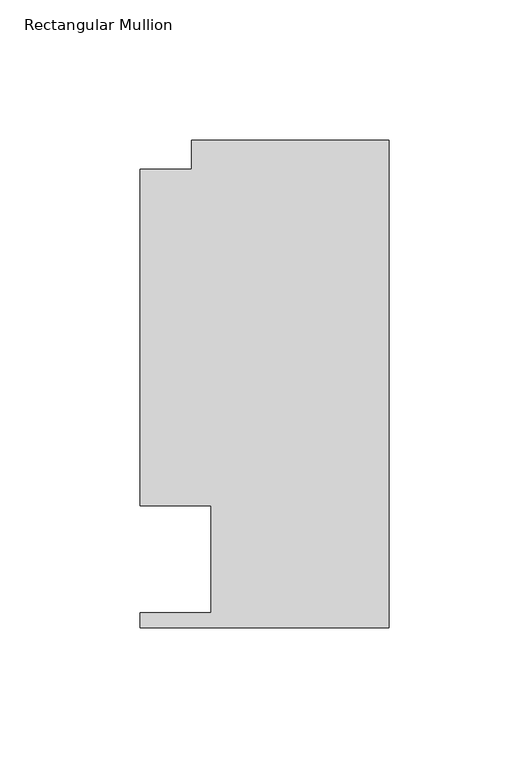
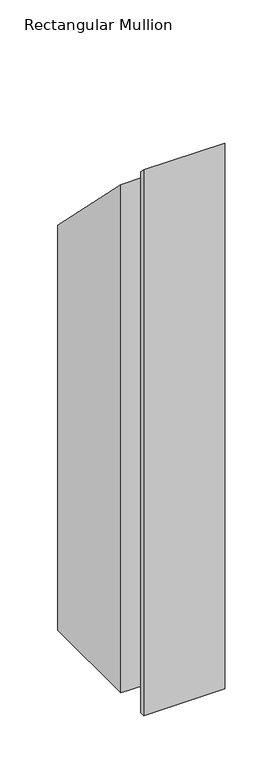
"""IFC4 building model written with IfcOpenShell, lengths in millimetres: member geometry, Rectangular Mullion."""

import ifcopenshell
import ifcopenshell.guid

model = None  # the IFC model being written
_history = None  # IfcOwnerHistory: only IFC2X3 demands one
_inside = {}  # id of a spatial element -> (the spatial element, [elements in it])
_under = {}  # id of a project, library or spatial element -> (it, [spatial elements below it])
_declared = {}  # id of a project -> (the project, [libraries it declares])
_typed = {}  # id of a type object -> (the type object, [elements of that type])
_made_of = {}  # id of a material, layer set ... -> (it, [elements and type objects made of it])


def new_model(schema):
    """Start an empty IFC model of exactly this schema.

    Asked for "IFC4X3", IfcOpenShell would pick the latest addendum, in which some entities
    have other attributes; the version numbers below select the first issue.
    IFC2X3 requires an IfcOwnerHistory on every rooted entity: one is made here for all.
    """
    global model, _history
    if schema == "IFC4X3":
        model = ifcopenshell.file(schema_version=(4, 3, 0, 0))
    else:
        model = ifcopenshell.file(schema=schema)
    _inside.clear()
    _under.clear()
    _declared.clear()
    _typed.clear()
    _made_of.clear()
    _history = None
    if model.schema == "IFC2X3":
        org = make("IfcOrganization", Name="unknown")
        user = make(
            "IfcPersonAndOrganization",
            ThePerson=make("IfcPerson", FamilyName="unknown"),
            TheOrganization=org,
        )
        app = make(
            "IfcApplication",
            ApplicationDeveloper=org,
            Version="unknown",
            ApplicationFullName="unknown",
            ApplicationIdentifier="unknown",
        )
        _history = make(
            "IfcOwnerHistory",
            OwningUser=user,
            OwningApplication=app,
            ChangeAction="ADDED",
            CreationDate=0,
        )
    return model


def make(cls, **values):
    """One entity of the class cls with the attributes given. An attribute that is None is left unset."""
    return model.create_entity(
        cls, **{name: value for name, value in values.items() if value is not None}
    )


def rooted(cls, **values):
    """An entity with a GlobalId (a new one), such as an element, a storey or a relation."""
    return make(cls, GlobalId=ifcopenshell.guid.new(), OwnerHistory=_history, **values)


def si_unit(unit_type, name, prefix=None):
    """IfcSIUnit, for example si_unit("LENGTHUNIT", "METRE", prefix="MILLI")."""
    return make("IfcSIUnit", UnitType=unit_type, Prefix=prefix, Name=name)


def assignment(units):
    """IfcUnitAssignment: the units of a project."""
    return None if units is None else make("IfcUnitAssignment", Units=units)


def point(xyz):
    """IfcCartesianPoint."""
    return None if xyz is None else make("IfcCartesianPoint", Coordinates=xyz)


def direction(xyz):
    """IfcDirection."""
    return None if xyz is None else make("IfcDirection", DirectionRatios=xyz)


def frame(location, z_axis=None, x_axis=None):
    """IfcAxis2Placement3D, a coordinate frame: its origin and axes. An axis left out is left unset."""
    return make(
        "IfcAxis2Placement3D",
        Location=point(location),
        Axis=direction(z_axis),
        RefDirection=direction(x_axis),
    )


def origin():
    """The frame at (0, 0, 0) with its axes left unset."""
    return frame((0.0, 0.0, 0.0))


def place(relative_to, where):
    """IfcLocalPlacement: puts the frame where relative to a parent placement (None: the world)."""
    return make(
        "IfcLocalPlacement", PlacementRelTo=relative_to, RelativePlacement=where
    )


def context(
    kind, dimensions, precision=None, world=None, true_north=None, identifier=None
):
    """IfcGeometricRepresentationContext, for example the 3D "Model" context."""
    return make(
        "IfcGeometricRepresentationContext",
        ContextIdentifier=identifier,
        ContextType=kind,
        CoordinateSpaceDimension=dimensions,
        Precision=precision,
        WorldCoordinateSystem=world,
        TrueNorth=true_north,
    )


def project(units=None, contexts=None):
    """IfcProject with its units and contexts."""
    return rooted(
        "IfcProject",
        Name="project",
        RepresentationContexts=contexts,
        UnitsInContext=assignment(units),
    )


def spatial(cls, under=None, at=None, **own):
    """A site, building, storey or space (cls), placed at a placement, below another one or the project."""
    s = rooted(cls, ObjectPlacement=at, **own)
    if under is not None:
        _under.setdefault(under.id(), (under, []))[1].append(s)
    return s


def faces_of(points, faces, orient=None, outer=None):
    """IfcFace entities. A face is a list of loops; a loop is a list of indices into points, from 0.

    orient and outer hold one flag for each loop. By default every Orientation is true, the
    first loop of a face is its IfcFaceOuterBound and the others are IfcFaceBound.
    """
    made = []
    for i, loops in enumerate(faces):
        bounds = []
        for j, loop in enumerate(loops):
            is_outer = j == 0 if outer is None else outer[i][j]
            bounds.append(
                make(
                    "IfcFaceOuterBound" if is_outer else "IfcFaceBound",
                    Bound=make("IfcPolyLoop", Polygon=[points[k] for k in loop]),
                    Orientation=True if orient is None else orient[i][j],
                )
            )
        made.append(make("IfcFace", Bounds=bounds))
    return made


def faceted_brep(points, faces, orient=None, outer=None, voids=None):
    """IfcFacetedBrep: a solid bounded by flat faces; with voids (closed shells), ...WithVoids."""
    shared = [point(p) for p in points]
    hull = make("IfcClosedShell", CfsFaces=faces_of(shared, faces, orient, outer))
    if voids is None:
        return make("IfcFacetedBrep", Outer=hull)
    return make(
        "IfcFacetedBrepWithVoids",
        Outer=hull,
        Voids=[
            make(cls, CfsFaces=faces_of(shared, fs, o, b)) for cls, fs, o, b in voids
        ],
    )


def shape(context_of_items, identifier, shape_type, items):
    """IfcShapeRepresentation: the items that make up one representation, for example the "Body"."""
    return make(
        "IfcShapeRepresentation",
        ContextOfItems=context_of_items,
        RepresentationIdentifier=identifier,
        RepresentationType=shape_type,
        Items=items,
    )


def source(mapping_origin, context_of_items, identifier, shape_type, items):
    """IfcRepresentationMap: a shape defined once, which mapped items show again and again."""
    return make(
        "IfcRepresentationMap",
        MappingOrigin=mapping_origin,
        MappedRepresentation=shape(context_of_items, identifier, shape_type, items),
    )


def transform(
    local_origin,
    x_axis=None,
    y_axis=None,
    z_axis=None,
    scale=None,
    scale2=None,
    scale3=None,
    uniform=True,
):
    """IfcCartesianTransformationOperator3D, or its non-uniform kind. x_axis, y_axis, z_axis: its Axis1, 2, 3."""
    if uniform:
        return make(
            "IfcCartesianTransformationOperator3D",
            Axis1=direction(x_axis),
            Axis2=direction(y_axis),
            LocalOrigin=point(local_origin),
            Scale=scale,
            Axis3=direction(z_axis),
        )
    return make(
        "IfcCartesianTransformationOperator3DnonUniform",
        Axis1=direction(x_axis),
        Axis2=direction(y_axis),
        LocalOrigin=point(local_origin),
        Scale=scale,
        Axis3=direction(z_axis),
        Scale2=scale2,
        Scale3=scale3,
    )


def mapped(mapping_source, mapping_target):
    """IfcMappedItem: shows the shape of a source again, moved by a transform."""
    return make(
        "IfcMappedItem", MappingSource=mapping_source, MappingTarget=mapping_target
    )


def made_of(thing, what):
    """Note that an element or type object is made of a material, layer set ...; save() writes the relation."""
    if what is not None:
        _made_of.setdefault(what.id(), (what, []))[1].append(thing)
    return thing


def element(
    cls,
    number,
    at=None,
    inside=None,
    cuts=None,
    type_object=None,
    material=None,
    context=None,
    identifier="Body",
    shape_type=None,
    held_by="IfcProductDefinitionShape",
    body=None,
    shapes=None,
    **own,
):
    """One element of the class cls, such as IfcWall. Its Tag is "e" and its number.

    at: its placement. inside: the storey or other place that contains it. cuts: it is an
    opening in that element (IfcRelVoidsElement). A single representation is given by context,
    identifier, shape_type and body (its items); several are given by shapes. held_by: the class
    of the entity that holds the representations. save() writes the other relations.
    """
    e = rooted(cls, Tag="e%d" % number, ObjectPlacement=at, **own)
    if body is not None:
        shapes = [shape(context, identifier, shape_type, body)]
    if shapes is not None:
        e.Representation = make(held_by, Representations=shapes)
    if inside is not None:
        _inside.setdefault(inside.id(), (inside, []))[1].append(e)
    if cuts is not None:
        rooted(
            "IfcRelVoidsElement", RelatingBuildingElement=cuts, RelatedOpeningElement=e
        )
    if type_object is not None:
        _typed.setdefault(type_object.id(), (type_object, []))[1].append(e)
    return made_of(e, material)


def aggregate(whole, parts):
    """IfcRelAggregates: a whole, such as a stair, and the parts it consists of."""
    return rooted("IfcRelAggregates", RelatingObject=whole, RelatedObjects=parts)


def save(model, path):
    """Write the relations noted so far, then the file.

    IfcRelAggregates (storeys below a building ...), IfcRelContainedInSpatialStructure (elements
    in a storey), IfcRelDefinesByType, IfcRelAssociatesMaterial and IfcRelDeclares: one each for
    every whole, place, type object, material and project.
    """
    for whole, parts in _under.values():
        aggregate(whole, parts)
    for where, things in _inside.values():
        rooted(
            "IfcRelContainedInSpatialStructure",
            RelatedElements=things,
            RelatingStructure=where,
        )
    for kind, things in _typed.values():
        rooted("IfcRelDefinesByType", RelatedObjects=things, RelatingType=kind)
    for what, things in _made_of.values():
        rooted("IfcRelAssociatesMaterial", RelatedObjects=things, RelatingMaterial=what)
    for by, libraries in _declared.values():
        rooted("IfcRelDeclares", RelatingContext=by, RelatedDefinitions=libraries)
    model.write(path)


def rectangular_mullion_4ad4d63f(model_context):
    return source(origin(), model_context, "Body", "Brep", [
        faceted_brep([(-88.9131928, 151.892, -623.2643303), (-70.395709, 151.892, -623.2643303), (-70.395709, 162.3059961, -623.2643303), (0.0, 162.3059961, -623.2643303), (0.0, -11.684, -623.2643303), (-88.9131928, -11.684, -623.2643303), (-88.9131928, -6.35, -623.2643303), (-63.5131928, -6.35, -623.2643303), (-63.5131928, 31.75, -623.2643303), (-88.9131928, 31.75, -623.2643303), (-88.9131928, 31.75, -31.75), (-88.9131928, 151.892, -151.892), (-63.5131928, 31.75, -31.75), (-63.5131928, -6.35, 6.35), (-88.9131928, -6.35, 6.35), (-88.9131928, -11.684, 11.684), (0.0, -11.684, 11.684), (0.0, 162.3059961, -162.3059961), (-70.395709, 162.3059961, -162.3059961), (-70.395709, 151.892, -151.892)], [[[0, 1, 2, 3, 4, 5, 6, 7, 8, 9]], [[10, 11, 0, 9]], [[12, 10, 9, 8]], [[13, 12, 8, 7]], [[14, 13, 7, 6]], [[15, 14, 6, 5]], [[16, 15, 5, 4]], [[17, 16, 4, 3]], [[18, 17, 3, 2]], [[19, 18, 2, 1]], [[11, 19, 1, 0]], [[11, 10, 12, 13, 14, 15, 16, 17, 18, 19]]]),
    ])


if __name__ == "__main__":
    model = new_model("IFC4")
    model_context = context("Model", 3, world=origin())
    ifc_project = project(units=[si_unit("LENGTHUNIT", "METRE", prefix="MILLI")], contexts=[model_context])
    site = spatial("IfcSite", under=ifc_project)
    building = spatial("IfcBuilding", under=site)
    placement = place(None, origin())
    rectangular_mullion_shape = rectangular_mullion_4ad4d63f(model_context)
    element("IfcMember", 1, ObjectType="Rectangular Mullion", at=placement, inside=building, context=model_context, shape_type="MappedRepresentation", body=[
        mapped(rectangular_mullion_shape, transform((0.0, 0.0, 0.0), x_axis=(1.0, 0.0, 0.0), y_axis=(0.0, 1.0, 0.0), z_axis=(0.0, 0.0, 1.0))),
    ])
    save(model, "model.ifc")
